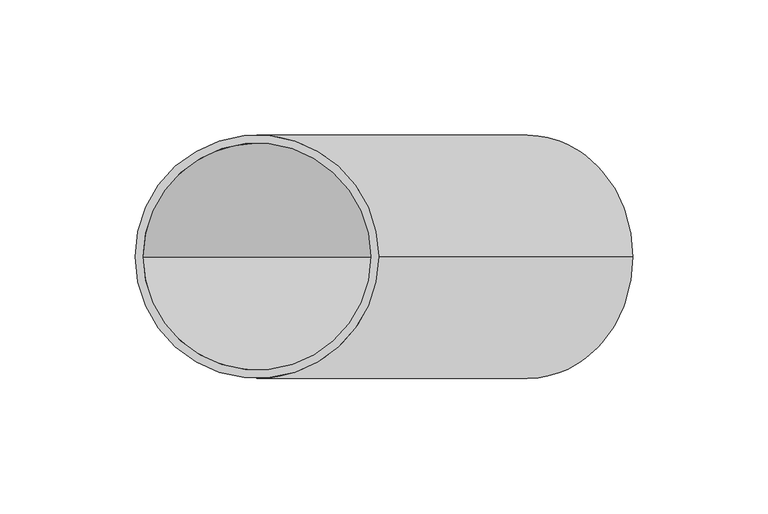
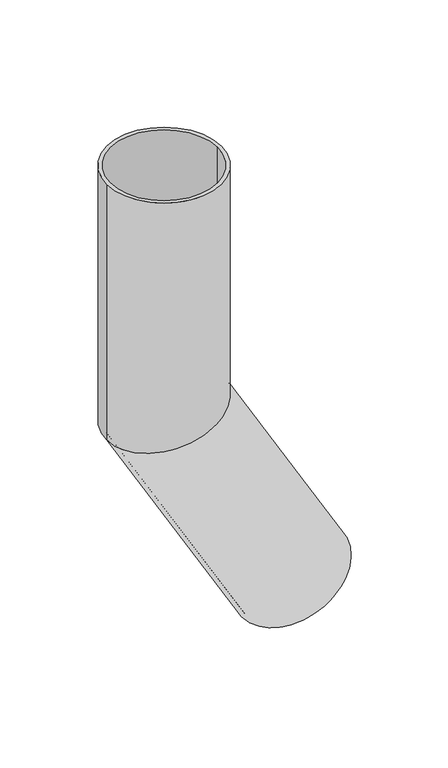
"""IFC4 building model written with IfcOpenShell, lengths in millimetres: beam geometry."""

from ifc_helpers import new_model, si_unit, frame, origin, place, context, project, spatial, polyline, circle_curve, ellipse_curve, source, transform, mapped, element, save
from ifc_brep_helpers import plane_surface, cylinder_surface, revolved_surface, advanced_brep


def beam_47a66b65(model_context):
    return source(origin(), model_context, "Body", "AdvancedBrep", [
        advanced_brep(
        [(138.9711432, 0.0, -350.7050808), (61.0288568, 0.0, -395.7050808), (136.373067, 0.0, -352.2050808), (63.626933, 0.0, -394.2050808), (45.0, 0.0, 0.0), (-45.0, 0.0, 0.0), (42.0, 0.0, 0.0), (-42.0, 0.0, 0.0), (42.0, 0.0, -188.7461339), (0.0, -42.0, -200.0), (-42.0, 0.0, -211.2538661), (0.0, 42.0, -200.0), (45.0, 0.0, -187.9422863), (-45.0, 0.0, -212.0577137)],
        [
            (0, 1, circle_curve(frame((100.0, 0.0, -373.2050808), z_axis=(0.5000000000000633, 0.0, -0.8660254037844022), x_axis=(-0.8660254037844022, 0.0, -0.5000000000000633)), 45.0)),
            (1, 0, circle_curve(frame((100.0, 0.0, -373.2050808), z_axis=(0.5000000000000633, 0.0, -0.8660254037844022), x_axis=(-0.8660254037844022, 0.0, -0.5000000000000633)), 45.0)),
            (2, 3, circle_curve(frame((100.0, 0.0, -373.2050808), z_axis=(-0.5000000000000633, 0.0, 0.8660254037844022), x_axis=(-0.8660254037844022, 0.0, -0.5000000000000633)), 42.0)),
            (3, 2, circle_curve(frame((100.0, 0.0, -373.2050808), z_axis=(-0.5000000000000633, 0.0, 0.8660254037844022), x_axis=(-0.8660254037844022, 0.0, -0.5000000000000633)), 42.0)),
            (4, 5, circle_curve(frame((0.0, 0.0, 0.0), z_axis=(0.0, 0.0, 1.0), x_axis=(-1.0, 0.0, 0.0)), 45.0)),
            (5, 4, circle_curve(frame((0.0, 0.0, 0.0), z_axis=(0.0, 0.0, 1.0), x_axis=(-1.0, 0.0, 0.0)), 45.0)),
            (6, 7, circle_curve(frame((0.0, 0.0, 0.0), z_axis=(0.0, 0.0, -1.0), x_axis=(-1.0, 0.0, 0.0)), 42.0)),
            (7, 6, circle_curve(frame((0.0, 0.0, 0.0), z_axis=(0.0, 0.0, -1.0), x_axis=(-1.0, 0.0, 0.0)), 42.0)),
            (6, 8),
            (8, 9, ellipse_curve(frame((0.0, 0.0, -200.0), z_axis=(0.25881904510255604, 0.0, -0.9659258262890589), x_axis=(0.9659258262890589, 0.0, 0.25881904510255593)), 43.4815996, 42.0)),
            (9, 10, ellipse_curve(frame((0.0, 0.0, -200.0), z_axis=(0.25881904510255604, 0.0, -0.9659258262890589), x_axis=(0.9659258262890589, 0.0, 0.25881904510255593)), 43.4815996, 42.0)),
            (10, 7),
            (10, 11, ellipse_curve(frame((0.0, 0.0, -200.0), z_axis=(0.25881904510255604, 0.0, -0.9659258262890589), x_axis=(0.9659258262890589, 0.0, 0.25881904510255593)), 43.4815996, 42.0)),
            (11, 8, ellipse_curve(frame((0.0, 0.0, -200.0), z_axis=(0.25881904510255604, 0.0, -0.9659258262890589), x_axis=(0.9659258262890589, 0.0, 0.25881904510255593)), 43.4815996, 42.0)),
            (4, 12),
            (12, 13, ellipse_curve(frame((0.0, 0.0, -200.0), z_axis=(-0.25881904510255604, 0.0, 0.9659258262890589), x_axis=(-0.9659258262890589, 0.0, -0.25881904510255593)), 46.5874281, 45.0)),
            (13, 5),
            (13, 12, ellipse_curve(frame((0.0, 0.0, -200.0), z_axis=(-0.25881904510255604, 0.0, 0.9659258262890589), x_axis=(-0.9659258262890589, 0.0, -0.25881904510255593)), 46.5874281, 45.0)),
            (2, 8),
            (10, 3),
            (0, 12),
            (13, 1),
        ],
        [
            plane_surface(frame((100.0, 0.0, -373.2050808), z_axis=(0.5000000000000633, 0.0, -0.8660254037844022), x_axis=(0.0, -1.0, 0.0))),
            plane_surface(frame((0.0, 0.0, 0.0), z_axis=(0.0, 0.0, 1.0), x_axis=(0.0, -1.0, 0.0))),
            revolved_surface(polyline([(-42.0, 0.0, 0.0), (-42.0, 0.0, -211.2538661)]), (0.0, 0.0, -200.0), (0.0, 0.0, 1.0)),
            cylinder_surface(frame((0.0, 0.0, -200.0), z_axis=(0.0, 0.0, -1.0), x_axis=(-1.0, 0.0, 0.0)), 45.0),
            revolved_surface(polyline([(-42.00000002162828, 0.0, -211.25386608778905), (63.62693305132004, 0.0, -394.20508081778206)]), (100.0, 0.0, -373.2050808), (-0.5000000000000633, 0.0, 0.8660254037844022)),
            cylinder_surface(frame((100.0, 0.0, -373.2050808), z_axis=(0.5000000000000633, 0.0, -0.8660254037844022), x_axis=(-0.8660254037844022, 0.0, -0.5000000000000633)), 45.0),
        ],
        [
            (0, [[1, 2], [3, 4]]),
            (1, [[5, 6], [7, 8]]),
            (2, [[-7, 9, 10, 11, 12]]),
            (2, [[-8, -12, 13, 14, -9]]),
            (3, [[-5, 15, 16, 17]]),
            (3, [[-6, -17, 18, -15]]),
            (4, [[-3, 19, -14, -13, 20]]),
            (4, [[-4, -20, -11, -10, -19]]),
            (5, [[-1, 21, -18, 22]]),
            (5, [[-2, -22, -16, -21]]),
        ],
    ),
    ])


if __name__ == "__main__":
    model = new_model("IFC4")
    model_context = context("Model", 3, world=origin())
    ifc_project = project(units=[si_unit("LENGTHUNIT", "METRE", prefix="MILLI")], contexts=[model_context])
    site = spatial("IfcSite", under=ifc_project)
    building = spatial("IfcBuilding", under=site)
    placement = place(None, origin())
    beam_shape = beam_47a66b65(model_context)
    element("IfcBeam", 1, at=placement, inside=building, context=model_context, shape_type="MappedRepresentation", body=[
        mapped(beam_shape, transform((0.0, 0.0, 0.0), x_axis=(1.0, 0.0, 0.0), y_axis=(0.0, 1.0, 0.0), z_axis=(0.0, 0.0, 1.0))),
    ])
    save(model, "model.ifc")
